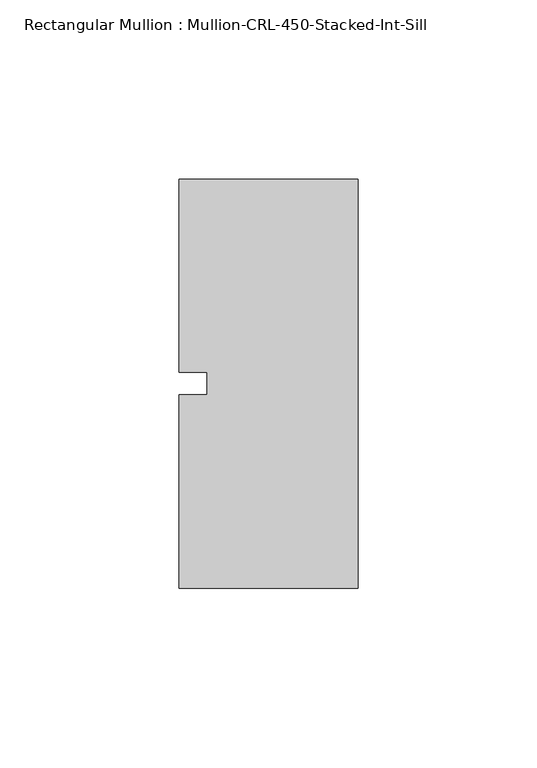
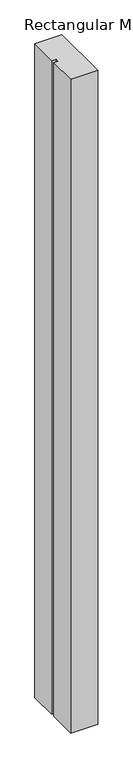
"""IFC4 building model written with IfcOpenShell, lengths in millimetres: member geometry, Rectangular Mullion : Mullion-CRL-450-Stacked-Int-Sill."""

from ifc_helpers import new_model, si_unit, frame, origin, place, context, project, spatial, polyline, outline, extrude, source, transform, mapped, element, save


def rectangular_mullion_mullion_crl_450_stacked_int_sill_44b2aecd(model_context):
    return source(origin(), model_context, "Body", "SweptSolid", [
        extrude(outline(polyline([(-50.1078305, -3.175), (-42.1703305, -3.175), (-42.1703305, 3.175), (-50.1078305, 3.175), (-50.1078305, 57.15), (0.0, 57.15), (0.0, -57.15), (-50.1078305, -57.15), (-50.1078305, -3.175)])), frame((0.0, 0.0, -1278.4666667), z_axis=(0.0, 0.0, 1.0), x_axis=(1.0, 0.0, 0.0)), (0.0, 0.0, 1.0), 1278.4666667),
    ])


if __name__ == "__main__":
    model = new_model("IFC4")
    model_context = context("Model", 3, world=origin())
    ifc_project = project(units=[si_unit("LENGTHUNIT", "METRE", prefix="MILLI")], contexts=[model_context])
    site = spatial("IfcSite", under=ifc_project)
    building = spatial("IfcBuilding", under=site)
    placement = place(None, origin())
    rectangular_mullion_mullion_crl_450_stacked_int_sill_shape = rectangular_mullion_mullion_crl_450_stacked_int_sill_44b2aecd(model_context)
    element("IfcMember", 1, ObjectType="Rectangular Mullion : Mullion-CRL-450-Stacked-Int-Sill", at=placement, inside=building, context=model_context, shape_type="MappedRepresentation", body=[
        mapped(rectangular_mullion_mullion_crl_450_stacked_int_sill_shape, transform((0.0, 0.0, 0.0), x_axis=(1.0, 0.0, 0.0), y_axis=(0.0, 1.0, 0.0), z_axis=(0.0, 0.0, 1.0))),
    ])
    save(model, "model.ifc")
